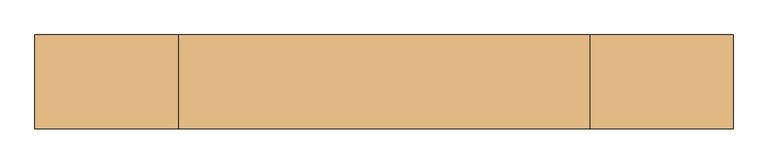
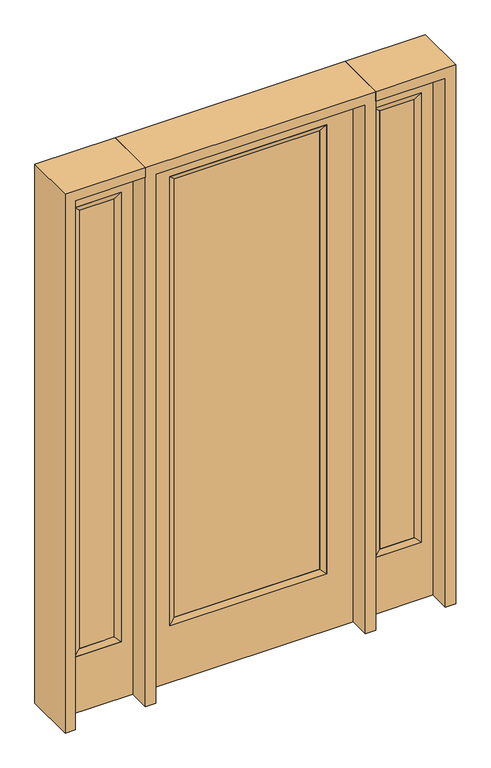
"""IFC4 building model written with IfcOpenShell, lengths in millimetres: door geometry."""

from ifc_helpers import new_model, si_unit, frame, origin, place, context, project, spatial, polyline, outline, extrude, faceted_brep, source, transform, mapped, element, save


def door_93061456(model_context):
    return source(origin(), model_context, "Body", "SolidModel", [
        extrude(outline(polyline([(316.3824, -12.7039749), (-316.3824, -12.7039749), (-316.3824, 14.2875), (316.3824, 14.2875), (316.3824, -12.7039749)])), frame((0.0, 0.0, 285.75), z_axis=(0.0, 0.0, 1.0), x_axis=(1.0, 0.0, 0.0)), (0.0, 0.0, 1.0), 2019.3),
        faceted_brep([(316.3824, 14.2875, 2305.05), (341.7824, 22.225, 2330.45), (341.7824, 22.225, 260.35), (316.3824, 14.2875, 285.75), (341.7824, -22.225, 2330.45), (341.7824, -22.225, 260.35), (-341.7824, 22.225, 260.35), (-316.3824, 14.2875, 285.75), (316.3824, -12.7039749, 2305.05), (316.3824, -12.7039749, 285.75), (-316.3824, -12.7039749, 285.75), (-341.7824, -22.225, 260.35), (-341.7824, 22.225, 2330.45), (-316.3824, 14.2875, 2305.05), (-316.3824, -12.7039749, 2305.05), (-341.7824, -22.225, 2330.45)], [[[0, 1, 2, 3]], [[1, 4, 5, 2]], [[3, 2, 6, 7]], [[8, 0, 3, 9]], [[9, 3, 7, 10]], [[4, 8, 9, 5]], [[5, 9, 10, 11]], [[2, 5, 11, 6]], [[7, 6, 12, 13]], [[10, 7, 13, 14]], [[11, 10, 14, 15]], [[6, 11, 15, 12]], [[13, 12, 1, 0]], [[14, 13, 0, 8]], [[15, 14, 8, 4]], [[12, 15, 4, 1]]]),
        extrude(outline(polyline([(0.0, -457.2), (0.0, 457.2), (2438.4, 457.2), (2438.4, -457.2), (0.0, -457.2)]), holes=[polyline([(260.35, -341.7824), (2330.45, -341.7824), (2330.45, 341.7824), (260.35, 341.7824), (260.35, -341.7824)])]), frame((0.0, -22.225, 0.0), z_axis=(0.0, 1.0, 0.0), x_axis=(0.0, 0.0, 1.0)), (0.0, 0.0, 1.0), 44.45),
        faceted_brep([(552.45, 20.6375, 2330.45), (552.45, 20.6375, 260.35), (552.45, -20.6375, 260.35), (552.45, -20.6375, 2330.45), (577.85, -12.7, 285.75), (577.85, -12.7, 2305.05), (755.65, 20.6375, 260.35), (755.65, -20.6375, 260.35), (577.85, 12.7, 2305.05), (577.85, 12.7, 285.75), (730.25, 12.7, 285.75), (730.25, -12.7, 285.75), (755.65, 20.6375, 2330.45), (755.65, -20.6375, 2330.45), (730.25, 12.7, 2305.05), (730.25, -12.7, 2305.05)], [[[0, 1, 2, 3]], [[3, 2, 4, 5]], [[1, 6, 7, 2]], [[8, 9, 1, 0]], [[9, 10, 6, 1]], [[5, 4, 9, 8]], [[4, 11, 10, 9]], [[2, 7, 11, 4]], [[6, 12, 13, 7]], [[10, 14, 12, 6]], [[11, 15, 14, 10]], [[7, 13, 15, 11]], [[12, 0, 3, 13]], [[14, 8, 0, 12]], [[15, 5, 8, 14]], [[13, 3, 5, 15]]]),
        extrude(outline(polyline([(0.0, 806.45), (2438.4, 806.45), (2438.4, 501.65), (0.0, 501.65), (0.0, 806.45)]), holes=[polyline([(2330.45, 552.45), (2330.45, 755.65), (260.35, 755.65), (260.35, 552.45), (2330.45, 552.45)])]), frame((0.0, -20.6375, 0.0), z_axis=(0.0, 1.0, 0.0), x_axis=(0.0, 0.0, 1.0)), (0.0, 0.0, 1.0), 41.275),
        extrude(outline(polyline([(577.85, -12.7), (577.85, 12.7), (730.25, 12.7), (730.25, -12.7), (577.85, -12.7)])), frame((0.0, 0.0, 284.95625), z_axis=(0.0, 0.0, 1.0), x_axis=(1.0, 0.0, 0.0)), (0.0, 0.0, 1.0), 2020.09375),
        faceted_brep([(-552.45, 20.6375, 2330.45), (-552.45, -20.6375, 2330.45), (-552.45, -20.6375, 260.35), (-552.45, 20.6375, 260.35), (-577.85, -12.7, 2305.05), (-577.85, -12.7, 285.75), (-755.65, -20.6375, 260.35), (-755.65, 20.6375, 260.35), (-577.85, 12.7, 2305.05), (-577.85, 12.7, 285.75), (-730.25, 12.7, 285.75), (-730.25, -12.7, 285.75), (-755.65, -20.6375, 2330.45), (-755.65, 20.6375, 2330.45), (-730.25, 12.7, 2305.05), (-730.25, -12.7, 2305.05)], [[[0, 1, 2, 3]], [[1, 4, 5, 2]], [[3, 2, 6, 7]], [[8, 0, 3, 9]], [[9, 3, 7, 10]], [[4, 8, 9, 5]], [[5, 9, 10, 11]], [[2, 5, 11, 6]], [[7, 6, 12, 13]], [[10, 7, 13, 14]], [[11, 10, 14, 15]], [[6, 11, 15, 12]], [[13, 12, 1, 0]], [[14, 13, 0, 8]], [[15, 14, 8, 4]], [[12, 15, 4, 1]]]),
        extrude(outline(polyline([(0.0, -806.45), (0.0, -501.65), (2438.4, -501.65), (2438.4, -806.45), (0.0, -806.45)]), holes=[polyline([(2330.45, -552.45), (260.35, -552.45), (260.35, -755.65), (2330.45, -755.65), (2330.45, -552.45)])]), frame((0.0, -20.6375, 0.0), z_axis=(0.0, 1.0, 0.0), x_axis=(0.0, 0.0, 1.0)), (0.0, 0.0, 1.0), 41.275),
        extrude(outline(polyline([(-577.85, -12.7), (-730.25, -12.7), (-730.25, 12.7), (-577.85, 12.7), (-577.85, -12.7)])), frame((0.0, 0.0, 284.95625), z_axis=(0.0, 0.0, 1.0), x_axis=(1.0, 0.0, 0.0)), (0.0, 0.0, 1.0), 2020.09375),
        extrude(outline(polyline([(2438.4, -501.65), (2482.85, -501.65), (2482.85, -850.9), (0.0, -850.9), (0.0, -806.45), (2438.4, -806.45), (2438.4, -501.65)])), frame((0.0, -114.3, 0.0), z_axis=(0.0, 1.0, 0.0), x_axis=(0.0, 0.0, 1.0)), (0.0, 0.0, 1.0), 228.6),
        extrude(outline(polyline([(2482.85, -501.65), (0.0, -501.65), (0.0, -457.2), (2438.4, -457.2), (2438.4, 457.2), (0.0, 457.2), (0.0, 501.65), (2482.85, 501.65), (2482.85, -501.65)])), frame((0.0, -114.3, 0.0), z_axis=(0.0, 1.0, 0.0), x_axis=(0.0, 0.0, 1.0)), (0.0, 0.0, 1.0), 228.6),
        extrude(outline(polyline([(0.0, 806.45), (0.0, 850.9), (2482.85, 850.9), (2482.85, 501.65), (2438.4, 501.65), (2438.4, 806.45), (0.0, 806.45)])), frame((0.0, -114.3, 0.0), z_axis=(0.0, 1.0, 0.0), x_axis=(0.0, 0.0, 1.0)), (0.0, 0.0, 1.0), 228.6),
    ])


if __name__ == "__main__":
    model = new_model("IFC4")
    model_context = context("Model", 3, world=origin())
    ifc_project = project(units=[si_unit("LENGTHUNIT", "METRE", prefix="MILLI")], contexts=[model_context])
    site = spatial("IfcSite", under=ifc_project)
    building = spatial("IfcBuilding", under=site)
    placement = place(None, origin())
    door_shape = door_93061456(model_context)
    element("IfcDoor", 1, at=placement, inside=building, context=model_context, shape_type="MappedRepresentation", body=[
        mapped(door_shape, transform((0.0, 0.0, 0.0), x_axis=(1.0, 0.0, 0.0), y_axis=(0.0, 1.0, 0.0), z_axis=(0.0, 0.0, 1.0))),
    ])
    save(model, "model.ifc")
